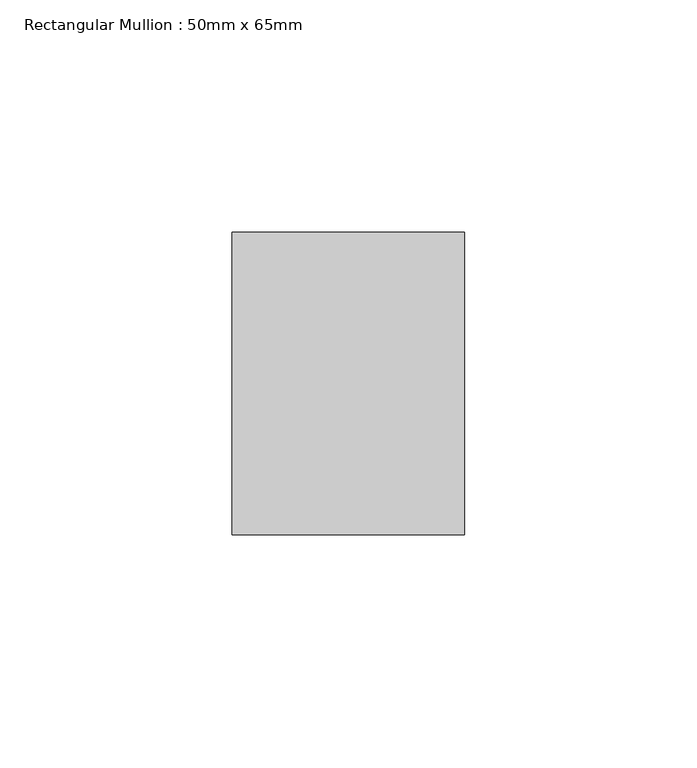
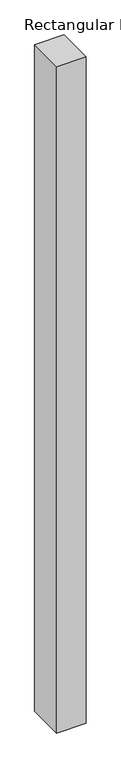
"""IFC4 building model written with IfcOpenShell, lengths in millimetres: member geometry, Rectangular Mullion : 50mm x 65mm."""

from ifc_helpers import new_model, si_unit, frame, origin, place, context, project, spatial, polyline, outline, extrude, source, transform, mapped, element, save


def rectangular_mullion_50mm_x_65mm_019d2a25(model_context):
    return source(origin(), model_context, "Body", "SweptSolid", [
        extrude(outline(polyline([(0.0, 32.5), (0.0, -32.5), (-50.0, -32.5), (-50.0, 32.5), (0.0, 32.5)])), frame((0.0, 0.0, -1200.0), z_axis=(0.0, 0.0, 1.0), x_axis=(1.0, 0.0, 0.0)), (0.0, 0.0, 1.0), 1200.0),
    ])


if __name__ == "__main__":
    model = new_model("IFC4")
    model_context = context("Model", 3, world=origin())
    ifc_project = project(units=[si_unit("LENGTHUNIT", "METRE", prefix="MILLI")], contexts=[model_context])
    site = spatial("IfcSite", under=ifc_project)
    building = spatial("IfcBuilding", under=site)
    placement = place(None, origin())
    rectangular_mullion_50mm_x_65mm_shape = rectangular_mullion_50mm_x_65mm_019d2a25(model_context)
    element("IfcMember", 1, ObjectType="Rectangular Mullion : 50mm x 65mm", at=placement, inside=building, context=model_context, shape_type="MappedRepresentation", body=[
        mapped(rectangular_mullion_50mm_x_65mm_shape, transform((0.0, 0.0, 0.0), x_axis=(1.0, 0.0, 0.0), y_axis=(0.0, 1.0, 0.0), z_axis=(0.0, 0.0, 1.0))),
    ])
    save(model, "model.ifc")
